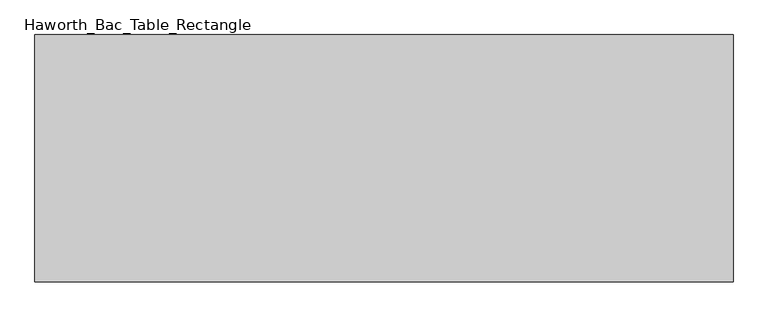
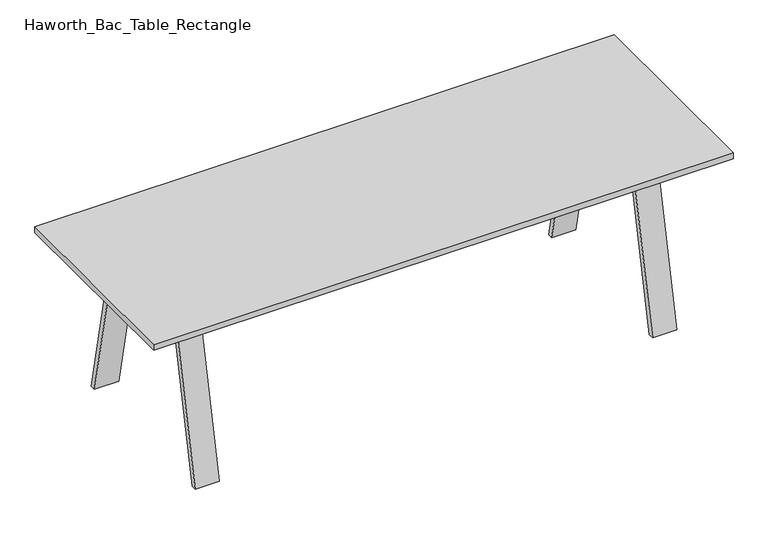
"""IFC4 building model written with IfcOpenShell, lengths in millimetres: furniture geometry, Haworth_Bac_Table_Rectangle."""

import ifcopenshell
import ifcopenshell.guid

model = None  # the IFC model being written
_history = None  # IfcOwnerHistory: only IFC2X3 demands one
_inside = {}  # id of a spatial element -> (the spatial element, [elements in it])
_under = {}  # id of a project, library or spatial element -> (it, [spatial elements below it])
_declared = {}  # id of a project -> (the project, [libraries it declares])
_typed = {}  # id of a type object -> (the type object, [elements of that type])
_made_of = {}  # id of a material, layer set ... -> (it, [elements and type objects made of it])


def new_model(schema):
    """Start an empty IFC model of exactly this schema.

    Asked for "IFC4X3", IfcOpenShell would pick the latest addendum, in which some entities
    have other attributes; the version numbers below select the first issue.
    IFC2X3 requires an IfcOwnerHistory on every rooted entity: one is made here for all.
    """
    global model, _history
    if schema == "IFC4X3":
        model = ifcopenshell.file(schema_version=(4, 3, 0, 0))
    else:
        model = ifcopenshell.file(schema=schema)
    _inside.clear()
    _under.clear()
    _declared.clear()
    _typed.clear()
    _made_of.clear()
    _history = None
    if model.schema == "IFC2X3":
        org = make("IfcOrganization", Name="unknown")
        user = make(
            "IfcPersonAndOrganization",
            ThePerson=make("IfcPerson", FamilyName="unknown"),
            TheOrganization=org,
        )
        app = make(
            "IfcApplication",
            ApplicationDeveloper=org,
            Version="unknown",
            ApplicationFullName="unknown",
            ApplicationIdentifier="unknown",
        )
        _history = make(
            "IfcOwnerHistory",
            OwningUser=user,
            OwningApplication=app,
            ChangeAction="ADDED",
            CreationDate=0,
        )
    return model


def make(cls, **values):
    """One entity of the class cls with the attributes given. An attribute that is None is left unset."""
    return model.create_entity(
        cls, **{name: value for name, value in values.items() if value is not None}
    )


def rooted(cls, **values):
    """An entity with a GlobalId (a new one), such as an element, a storey or a relation."""
    return make(cls, GlobalId=ifcopenshell.guid.new(), OwnerHistory=_history, **values)


def si_unit(unit_type, name, prefix=None):
    """IfcSIUnit, for example si_unit("LENGTHUNIT", "METRE", prefix="MILLI")."""
    return make("IfcSIUnit", UnitType=unit_type, Prefix=prefix, Name=name)


def assignment(units):
    """IfcUnitAssignment: the units of a project."""
    return None if units is None else make("IfcUnitAssignment", Units=units)


def point(xyz):
    """IfcCartesianPoint."""
    return None if xyz is None else make("IfcCartesianPoint", Coordinates=xyz)


def direction(xyz):
    """IfcDirection."""
    return None if xyz is None else make("IfcDirection", DirectionRatios=xyz)


def frame(location, z_axis=None, x_axis=None):
    """IfcAxis2Placement3D, a coordinate frame: its origin and axes. An axis left out is left unset."""
    return make(
        "IfcAxis2Placement3D",
        Location=point(location),
        Axis=direction(z_axis),
        RefDirection=direction(x_axis),
    )


def origin():
    """The frame at (0, 0, 0) with its axes left unset."""
    return frame((0.0, 0.0, 0.0))


def place(relative_to, where):
    """IfcLocalPlacement: puts the frame where relative to a parent placement (None: the world)."""
    return make(
        "IfcLocalPlacement", PlacementRelTo=relative_to, RelativePlacement=where
    )


def context(
    kind, dimensions, precision=None, world=None, true_north=None, identifier=None
):
    """IfcGeometricRepresentationContext, for example the 3D "Model" context."""
    return make(
        "IfcGeometricRepresentationContext",
        ContextIdentifier=identifier,
        ContextType=kind,
        CoordinateSpaceDimension=dimensions,
        Precision=precision,
        WorldCoordinateSystem=world,
        TrueNorth=true_north,
    )


def project(units=None, contexts=None):
    """IfcProject with its units and contexts."""
    return rooted(
        "IfcProject",
        Name="project",
        RepresentationContexts=contexts,
        UnitsInContext=assignment(units),
    )


def spatial(cls, under=None, at=None, **own):
    """A site, building, storey or space (cls), placed at a placement, below another one or the project."""
    s = rooted(cls, ObjectPlacement=at, **own)
    if under is not None:
        _under.setdefault(under.id(), (under, []))[1].append(s)
    return s


def polyline(points):
    """IfcPolyline through the points."""
    return make("IfcPolyline", Points=[point(p) for p in points])


def outline(outer, holes=None, kind="AREA"):
    """IfcArbitraryClosedProfileDef: a profile drawn as a closed curve; with holes, ...WithVoids."""
    if holes is None:
        return make("IfcArbitraryClosedProfileDef", ProfileType=kind, OuterCurve=outer)
    return make(
        "IfcArbitraryProfileDefWithVoids",
        ProfileType=kind,
        OuterCurve=outer,
        InnerCurves=holes,
    )


def extrude(swept, where, along, depth):
    """IfcExtrudedAreaSolid: the profile swept, set in the frame where, extruded along a direction by depth."""
    return make(
        "IfcExtrudedAreaSolid",
        SweptArea=swept,
        Position=where,
        ExtrudedDirection=direction(along),
        Depth=depth,
    )


def shape(context_of_items, identifier, shape_type, items):
    """IfcShapeRepresentation: the items that make up one representation, for example the "Body"."""
    return make(
        "IfcShapeRepresentation",
        ContextOfItems=context_of_items,
        RepresentationIdentifier=identifier,
        RepresentationType=shape_type,
        Items=items,
    )


def source(mapping_origin, context_of_items, identifier, shape_type, items):
    """IfcRepresentationMap: a shape defined once, which mapped items show again and again."""
    return make(
        "IfcRepresentationMap",
        MappingOrigin=mapping_origin,
        MappedRepresentation=shape(context_of_items, identifier, shape_type, items),
    )


def transform(
    local_origin,
    x_axis=None,
    y_axis=None,
    z_axis=None,
    scale=None,
    scale2=None,
    scale3=None,
    uniform=True,
):
    """IfcCartesianTransformationOperator3D, or its non-uniform kind. x_axis, y_axis, z_axis: its Axis1, 2, 3."""
    if uniform:
        return make(
            "IfcCartesianTransformationOperator3D",
            Axis1=direction(x_axis),
            Axis2=direction(y_axis),
            LocalOrigin=point(local_origin),
            Scale=scale,
            Axis3=direction(z_axis),
        )
    return make(
        "IfcCartesianTransformationOperator3DnonUniform",
        Axis1=direction(x_axis),
        Axis2=direction(y_axis),
        LocalOrigin=point(local_origin),
        Scale=scale,
        Axis3=direction(z_axis),
        Scale2=scale2,
        Scale3=scale3,
    )


def mapped(mapping_source, mapping_target):
    """IfcMappedItem: shows the shape of a source again, moved by a transform."""
    return make(
        "IfcMappedItem", MappingSource=mapping_source, MappingTarget=mapping_target
    )


def made_of(thing, what):
    """Note that an element or type object is made of a material, layer set ...; save() writes the relation."""
    if what is not None:
        _made_of.setdefault(what.id(), (what, []))[1].append(thing)
    return thing


def element(
    cls,
    number,
    at=None,
    inside=None,
    cuts=None,
    type_object=None,
    material=None,
    context=None,
    identifier="Body",
    shape_type=None,
    held_by="IfcProductDefinitionShape",
    body=None,
    shapes=None,
    **own,
):
    """One element of the class cls, such as IfcWall. Its Tag is "e" and its number.

    at: its placement. inside: the storey or other place that contains it. cuts: it is an
    opening in that element (IfcRelVoidsElement). A single representation is given by context,
    identifier, shape_type and body (its items); several are given by shapes. held_by: the class
    of the entity that holds the representations. save() writes the other relations.
    """
    e = rooted(cls, Tag="e%d" % number, ObjectPlacement=at, **own)
    if body is not None:
        shapes = [shape(context, identifier, shape_type, body)]
    if shapes is not None:
        e.Representation = make(held_by, Representations=shapes)
    if inside is not None:
        _inside.setdefault(inside.id(), (inside, []))[1].append(e)
    if cuts is not None:
        rooted(
            "IfcRelVoidsElement", RelatingBuildingElement=cuts, RelatedOpeningElement=e
        )
    if type_object is not None:
        _typed.setdefault(type_object.id(), (type_object, []))[1].append(e)
    return made_of(e, material)


def aggregate(whole, parts):
    """IfcRelAggregates: a whole, such as a stair, and the parts it consists of."""
    return rooted("IfcRelAggregates", RelatingObject=whole, RelatedObjects=parts)


def save(model, path):
    """Write the relations noted so far, then the file.

    IfcRelAggregates (storeys below a building ...), IfcRelContainedInSpatialStructure (elements
    in a storey), IfcRelDefinesByType, IfcRelAssociatesMaterial and IfcRelDeclares: one each for
    every whole, place, type object, material and project.
    """
    for whole, parts in _under.values():
        aggregate(whole, parts)
    for where, things in _inside.values():
        rooted(
            "IfcRelContainedInSpatialStructure",
            RelatedElements=things,
            RelatingStructure=where,
        )
    for kind, things in _typed.values():
        rooted("IfcRelDefinesByType", RelatedObjects=things, RelatingType=kind)
    for what, things in _made_of.values():
        rooted("IfcRelAssociatesMaterial", RelatedObjects=things, RelatingMaterial=what)
    for by, libraries in _declared.values():
        rooted("IfcRelDeclares", RelatingContext=by, RelatedDefinitions=libraries)
    model.write(path)


def haworth_bac_table_rectangle_205bd4ed(model_context):
    return source(origin(), model_context, "Body", "SweptSolid", [
        extrude(outline(polyline([(1200.15, -421.4200592), (-1200.15, -421.4200592), (-1200.15, 429.4799408), (1200.15, 429.4799408), (1200.15, -421.4200592)])), frame((0.0, 0.0, 711.2), z_axis=(0.0, 0.0, 1.0), x_axis=(1.0, 0.0, 0.0)), (0.0, 0.0, 1.0), 25.4),
        extrude(outline(polyline([(916.9300781, -25.9837311), (-916.9300781, -25.9837311), (-916.9300781, 34.0436127), (916.9300781, 34.0436127), (916.9300781, -25.9837311)])), frame((0.0, 0.0, 630.7335938), z_axis=(0.0, 0.0, 1.0), x_axis=(1.0, 0.0, 0.0)), (0.0, 0.0, 1.0), 80.4664062),
        extrude(outline(polyline([(202.9569134, 711.2), (220.0605761, 630.7335937), (-212.0006945, 630.7335937), (-194.8970319, 711.2), (202.9569134, 711.2)])), frame((916.9300781, 0.0, 0.0), z_axis=(1.0, 0.0, 0.0), x_axis=(0.0, 1.0, 0.0)), (0.0, 0.0, 1.0), 60.0273437),
        extrude(outline(polyline([(202.9569134, 711.2), (225.4483823, 711.2), (376.6186089, 0.0), (354.1271401, 0.0), (202.9569134, 711.2)])), frame((896.9375, 0.0, 0.0), z_axis=(1.0, 0.0, 0.0), x_axis=(0.0, 1.0, 0.0)), (0.0, 0.0, 1.0), 100.0125),
        extrude(outline(polyline([(-194.8970319, 711.2), (-346.0672585, 0.0), (-368.5587274, 0.0), (-217.3885007, 711.2), (-194.8970319, 711.2)])), frame((896.9375, 0.0, 0.0), z_axis=(1.0, 0.0, 0.0), x_axis=(0.0, 1.0, 0.0)), (0.0, 0.0, 1.0), 100.0125),
        extrude(outline(polyline([(202.9569134, 711.2), (220.0605761, 630.7335938), (-212.0006945, 630.7335938), (-194.8970319, 711.2), (202.9569134, 711.2)])), frame((-976.9574219, 0.0, 0.0), z_axis=(1.0, 0.0, 0.0), x_axis=(0.0, 1.0, 0.0)), (0.0, 0.0, 1.0), 60.0273437),
        extrude(outline(polyline([(202.9569134, 711.2), (225.4483823, 711.2), (376.6186089, 0.0), (354.1271401, 0.0), (202.9569134, 711.2)])), frame((-996.95, 0.0, 0.0), z_axis=(1.0, 0.0, 0.0), x_axis=(0.0, 1.0, 0.0)), (0.0, 0.0, 1.0), 100.0125),
        extrude(outline(polyline([(-194.8970319, 711.2), (-346.0672585, 0.0), (-368.5587274, 0.0), (-217.3885007, 711.2), (-194.8970319, 711.2)])), frame((-996.95, 0.0, 0.0), z_axis=(1.0, 0.0, 0.0), x_axis=(0.0, 1.0, 0.0)), (0.0, 0.0, 1.0), 100.0125),
    ])


if __name__ == "__main__":
    model = new_model("IFC4")
    model_context = context("Model", 3, world=origin())
    ifc_project = project(units=[si_unit("LENGTHUNIT", "METRE", prefix="MILLI")], contexts=[model_context])
    site = spatial("IfcSite", under=ifc_project)
    building = spatial("IfcBuilding", under=site)
    placement = place(None, origin())
    haworth_bac_table_rectangle_shape = haworth_bac_table_rectangle_205bd4ed(model_context)
    element("IfcFurniture", 1, ObjectType="Haworth_Bac_Table_Rectangle", at=placement, inside=building, context=model_context, shape_type="MappedRepresentation", body=[
        mapped(haworth_bac_table_rectangle_shape, transform((0.0, 0.0, 0.0), x_axis=(1.0, 0.0, 0.0), y_axis=(0.0, 1.0, 0.0), z_axis=(0.0, 0.0, 1.0))),
    ])
    save(model, "model.ifc")
